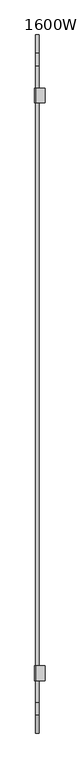
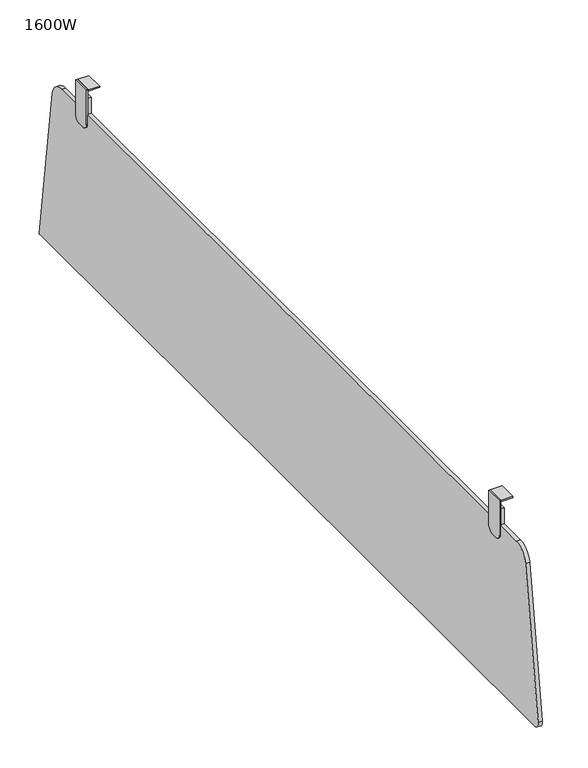
"""IFC4 building model written with IfcOpenShell, lengths in millimetres: furniture geometry, 1600W."""

from ifc_helpers import new_model, si_unit, point, frame, frame_2d, origin, place, context, project, spatial, polyline, circle_curve, trimmed, segment, composite_curve, outline, extrude, source, transform, mapped, element, save


def furniture_1600w_cd9762fa(model_context):
    return source(origin(), model_context, "Body", "SweptSolid", [
        extrude(outline(composite_curve([segment(polyline([(-600.9454614, 619.1281975), (-558.5149278, 619.1281975), (-558.5149278, 644.9634665), (-533.5149276, 644.9634665), (-533.5149276, 619.1281975), (533.4928722, 619.1281975), (533.4928722, 644.9634665), (558.4928724, 644.9634665), (558.4928724, 619.1281975), (600.9234424, 619.1281975)]), True, "CONTINUOUS"), segment(trimmed(circle_curve(frame_2d((600.9234424, 594.1281975)), 25.0), [point((600.9234424, 619.1281975))], [point((625.6793753, 597.6129907))], False, "CARTESIAN"), True, "CONTINUOUS"), segment(polyline([(625.6793753, 597.6129907), (660.3796186, 351.1028414)]), True, "CONTINUOUS"), segment(trimmed(circle_curve(frame_2d((659.3893813, 350.9634497)), 1.0), [point((660.3796186, 351.1028414))], [point((659.3893813, 349.9634497))], False, "CARTESIAN"), True, "CONTINUOUS"), segment(polyline([(659.3893813, 349.9634497), (-649.055776, 349.9634497)]), True, "CONTINUOUS"), segment(trimmed(circle_curve(frame_2d((-649.055776, 359.9634497)), 10.0), [point((-649.055776, 349.9634497))], [point((-658.9581492, 361.357367))], False, "CARTESIAN"), True, "CONTINUOUS"), segment(polyline([(-658.9581492, 361.357367), (-625.7013943, 597.6129907)]), True, "CONTINUOUS"), segment(trimmed(circle_curve(frame_2d((-600.9454614, 594.1281975)), 25.0), [point((-625.7013943, 597.6129907))], [point((-600.9454614, 619.1281975))], False, "CARTESIAN"), True, "CONTINUOUS")], self_intersect=False)), frame((33.8859381, 0.0, 0.0), z_axis=(1.0, 0.0, 0.0), x_axis=(0.0, 1.0, 0.0)), (0.0, 0.0, 1.0), 6.0976542),
        extrude(outline(composite_curve([segment(polyline([(-532.0149523, 659.963423), (-532.0149523, 604.9634297)]), True, "CONTINUOUS"), segment(trimmed(circle_curve(frame_2d((-542.0149523, 604.9634297)), 10.0), [point((-532.0149523, 604.9634297))], [point((-542.0149523, 594.9634297))], False, "CARTESIAN"), True, "CONTINUOUS"), segment(polyline([(-542.0149523, 594.9634297), (-550.014951, 594.9634297)]), True, "CONTINUOUS"), segment(trimmed(circle_curve(frame_2d((-550.014951, 604.9634297)), 10.0), [point((-550.014951, 594.9634297))], [point((-560.014951, 604.9634297))], False, "CARTESIAN"), True, "CONTINUOUS"), segment(polyline([(-560.014951, 604.9634297), (-560.014951, 659.963423), (-532.0149523, 659.963423)]), True, "CONTINUOUS")], self_intersect=False)), frame((31.8859375, 0.0, 0.0), z_axis=(1.0, 0.0, 0.0), x_axis=(0.0, 1.0, 0.0)), (0.0, 0.0, 1.0), 2.0000006),
        extrude(outline(composite_curve([segment(polyline([(532.0149523, 659.963423), (560.014951, 659.963423), (560.014951, 604.9634297)]), True, "CONTINUOUS"), segment(trimmed(circle_curve(frame_2d((550.014951, 604.9634297)), 10.0), [point((560.014951, 604.9634297))], [point((550.014951, 594.9634297))], False, "CARTESIAN"), True, "CONTINUOUS"), segment(polyline([(550.014951, 594.9634297), (542.0149523, 594.9634297)]), True, "CONTINUOUS"), segment(trimmed(circle_curve(frame_2d((542.0149523, 604.9634297)), 10.0), [point((542.0149523, 594.9634297))], [point((532.0149523, 604.9634297))], False, "CARTESIAN"), True, "CONTINUOUS"), segment(polyline([(532.0149523, 604.9634297), (532.0149523, 659.963423)]), True, "CONTINUOUS")], self_intersect=False)), frame((31.8859375, 0.0, 0.0), z_axis=(1.0, 0.0, 0.0), x_axis=(0.0, 1.0, 0.0)), (0.0, 0.0, 1.0), 2.0000006),
        extrude(outline(polyline([(51.8859363, -560.014951), (33.8859381, -560.014951), (33.8859381, -532.0149523), (51.8859363, -532.0149523), (51.8859363, -560.014951)])), frame((0.0, 0.0, 657.9634724), z_axis=(0.0, 0.0, 1.0), x_axis=(1.0, 0.0, 0.0)), (0.0, 0.0, 1.0), 1.9999506),
        extrude(outline(polyline([(51.8802078, 559.9928602), (51.8802078, 531.9928711), (34.4860355, 531.9928711), (34.4860355, 559.9928602), (51.8802078, 559.9928602)])), frame((0.0, 0.0, 657.9634724), z_axis=(0.0, 0.0, 1.0), x_axis=(1.0, 0.0, 0.0)), (0.0, 0.0, 1.0), 1.9999506),
    ])


if __name__ == "__main__":
    model = new_model("IFC4")
    model_context = context("Model", 3, world=origin())
    ifc_project = project(units=[si_unit("LENGTHUNIT", "METRE", prefix="MILLI")], contexts=[model_context])
    site = spatial("IfcSite", under=ifc_project)
    building = spatial("IfcBuilding", under=site)
    placement = place(None, origin())
    furniture_1600w_shape = furniture_1600w_cd9762fa(model_context)
    element("IfcFurniture", 1, ObjectType="1600W", at=placement, inside=building, context=model_context, shape_type="MappedRepresentation", body=[
        mapped(furniture_1600w_shape, transform((0.0, 0.0, 0.0), x_axis=(1.0, 0.0, 0.0), y_axis=(0.0, 1.0, 0.0), z_axis=(0.0, 0.0, 1.0))),
    ])
    save(model, "model.ifc")
